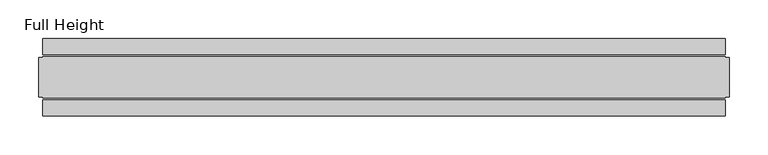
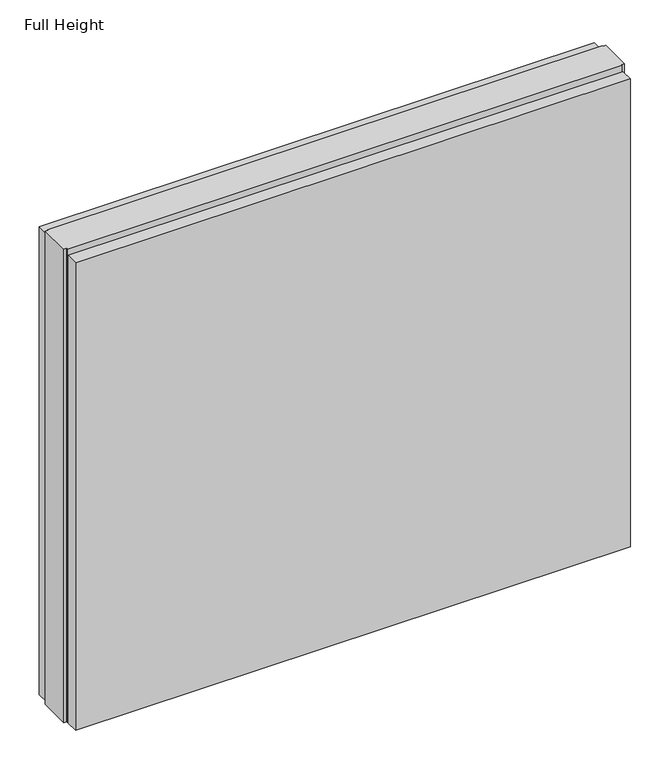
"""IFC4 building model written with IfcOpenShell, lengths in millimetres: plate geometry, Full Height."""

from ifc_helpers import new_model, si_unit, origin, origin_with_axes, place, context, project, spatial, polyline, outline, extrude, source, transform, mapped, element, save


def full_height_f87fa53d(model_context):
    return source(origin(), model_context, "Body", "SweptSolid", [
        extrude(outline(polyline([(438.3342, -28.956), (438.3342, -49.53), (-438.3342, -49.53), (-438.3342, -28.956), (438.3342, -28.956)])), origin_with_axes(), (0.0, 0.0, 1.0), 780.796),
        extrude(outline(polyline([(438.3342, 28.956), (-438.3342, 28.956), (-438.3342, 49.53), (438.3342, 49.53), (438.3342, 28.956)])), origin_with_axes(), (0.0, 0.0, 1.0), 780.796),
        extrude(outline(polyline([(438.3342, 25.146), (442.9062, 25.146), (442.9062, -25.146), (438.3342, -25.146), (438.3342, -26.67), (-438.3342, -26.67), (-438.3342, -25.146), (-442.9062, -25.146), (-442.9062, 25.146), (-438.3342, 25.146), (-438.3342, 26.67), (438.3342, 26.67), (438.3342, 25.146)])), origin_with_axes(), (0.0, 0.0, 1.0), 789.94),
    ])


if __name__ == "__main__":
    model = new_model("IFC4")
    model_context = context("Model", 3, world=origin())
    ifc_project = project(units=[si_unit("LENGTHUNIT", "METRE", prefix="MILLI")], contexts=[model_context])
    site = spatial("IfcSite", under=ifc_project)
    building = spatial("IfcBuilding", under=site)
    placement = place(None, origin())
    full_height_shape = full_height_f87fa53d(model_context)
    element("IfcPlate", 1, ObjectType="Full Height", at=placement, inside=building, context=model_context, shape_type="MappedRepresentation", body=[
        mapped(full_height_shape, transform((0.0, 0.0, 0.0), x_axis=(1.0, 0.0, 0.0), y_axis=(0.0, 1.0, 0.0), z_axis=(0.0, 0.0, 1.0))),
    ])
    save(model, "model.ifc")
